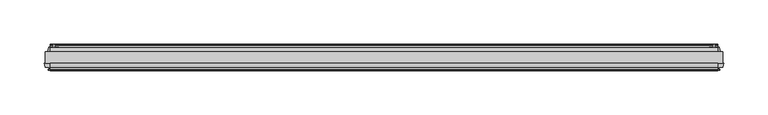
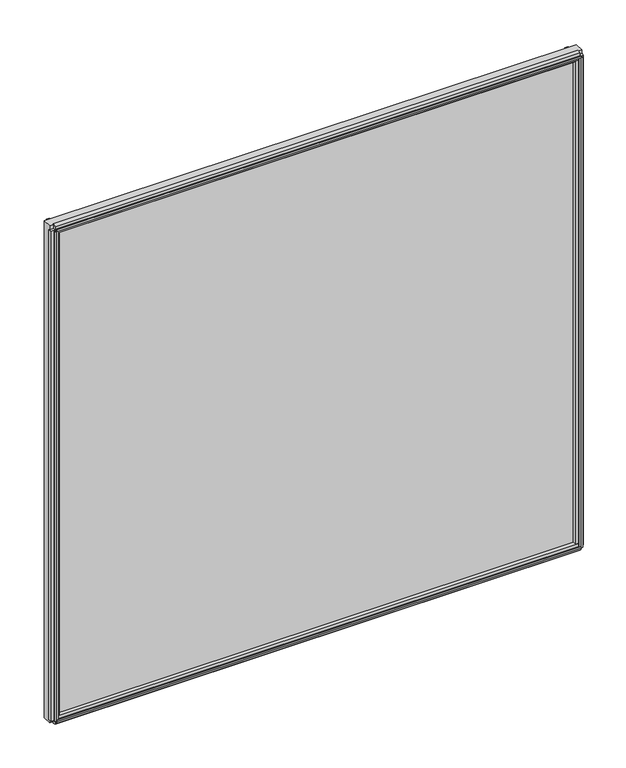
"""IFC4 building model written with IfcOpenShell, lengths in millimetres: plate geometry."""

from ifc_helpers import new_model, si_unit, point, frame, frame_2d, origin, origin_with_axes, place, context, project, spatial, polyline, circle_curve, trimmed, segment, composite_curve, outline, extrude, source, transform, mapped, element, save


def plate_c6e0bbd5(model_context):
    return source(origin(), model_context, "Body", "SweptSolid", [
        extrude(outline(polyline([(383.3264207, 33.1922438), (383.3264207, 20.3398438), (-383.3264207, 20.3398438), (-383.3264207, 33.1922438), (383.3264207, 33.1922438)])), origin_with_axes(), (0.0, 0.0, 1.0), 757.1782522),
        extrude(outline(composite_curve([segment(polyline([(41.2184338, 11.112559), (38.8308338, 11.1124979)]), True, "CONTINUOUS"), segment(trimmed(circle_curve(frame_2d((38.8308539, 10.3250979)), 0.7874), [point((38.8308338, 11.1124979))], [point((38.0434539, 10.3250778))], True, "CARTESIAN"), True, "CONTINUOUS"), segment(polyline([(38.0434539, 10.3250778), (38.0434741, 9.5376778), (39.6182741, 9.5377181), (38.0436437, 3.7841758), (38.0436437, 2.9042818)]), True, "CONTINUOUS"), segment(trimmed(circle_curve(frame_2d((35.6179428, 2.9426237)), 2.426004), [point((38.0436437, 2.9042818))], [point((33.1922437, 2.9041577))], False, "CARTESIAN"), True, "CONTINUOUS"), segment(polyline([(33.1922437, 2.9041577), (33.1922437, 16.9229653)]), True, "CONTINUOUS"), segment(trimmed(circle_curve(frame_2d((44.8744152, 24.6114215)), 13.9851882), [point((33.1922437, 16.9229653))], [point((41.2184338, 11.112559))], True, "CARTESIAN"), True, "CONTINUOUS")], self_intersect=False)), frame((-377.7701707, 0.0, 0.0), z_axis=(1.0, 0.0, 0.0), x_axis=(0.0, 1.0, 0.0)), (0.0, 0.0, 1.0), 755.5403414),
        extrude(outline(polyline([(12.8440214, 3.946253), (13.0917819, 2.4003), (12.2794387, 2.4003), (11.8816437, 4.7371), (12.2966596, 7.0739), (13.1099269, 7.0739), (12.8496537, 5.5210429), (15.5691624, 5.9939196), (15.5691624, 10.3197912), (20.3398437, 11.5326763), (20.3398437, -2.0076763), (15.560078, -0.7924816), (15.560078, 3.4539358), (12.8440214, 3.946253)])), frame((-377.7701707, 0.0, 0.0), z_axis=(1.0, 0.0, 0.0), x_axis=(0.0, 1.0, 0.0)), (0.0, 0.0, 1.0), 755.5403414),
        extrude(outline(polyline([(376.9729737, 12.9456214), (376.4806565, 15.661678), (372.2023815, 15.661678), (371.0130173, 20.3398438), (384.5146241, 20.3398438), (383.3275695, 15.6707624), (379.0206403, 15.6707624), (378.5477636, 12.9512537), (380.1006207, 13.2115269), (380.1006207, 12.3982596), (377.7638207, 11.9832438), (375.4270207, 12.3810387), (375.4270207, 13.1933819), (376.9729737, 12.9456214)])), frame((0.0, 0.0, 5.55625), z_axis=(0.0, 0.0, 1.0), x_axis=(1.0, 0.0, 0.0)), (0.0, 0.0, 1.0), 746.0657522),
        extrude(outline(polyline([(374.3313636, 40.8602338), (374.8069098, 38.1253726), (379.1150727, 38.1253726), (380.369258, 33.1922438), (366.7255834, 33.1922438), (367.9859695, 38.1497624), (372.264248, 38.1497624), (372.7565737, 40.8658661), (371.2091821, 40.6174092), (371.2091821, 41.430204), (373.5474207, 41.8282438), (375.8827522, 41.4134887), (375.8798453, 40.6006939), (374.3313636, 40.8602338)])), frame((0.0, 0.0, 5.55625), z_axis=(0.0, 0.0, 1.0), x_axis=(1.0, 0.0, 0.0)), (0.0, 0.0, 1.0), 746.0657522),
        extrude(outline(polyline([(-378.5477636, 12.9512537), (-379.0233098, 15.6861149), (-383.3314727, 15.6861149), (-384.5120007, 20.329525), (-371.0156407, 20.329525), (-372.2023695, 15.6617251), (-376.480648, 15.6617251), (-376.9729737, 12.9456214), (-375.4255821, 13.1940783), (-375.4255821, 12.3812835), (-377.7638207, 11.9832438), (-380.0991522, 12.3979988), (-380.0962453, 13.2107936), (-378.5477636, 12.9512537)])), frame((0.0, 0.0, 5.55625), z_axis=(0.0, 0.0, 1.0), x_axis=(1.0, 0.0, 0.0)), (0.0, 0.0, 1.0), 746.0657522),
        extrude(outline(polyline([(-372.7634778, 40.8602338), (-372.2879316, 38.1253726), (-367.9797687, 38.1253726), (-366.7255834, 33.1922438), (-380.369258, 33.1922438), (-379.1088719, 38.1497624), (-374.8305934, 38.1497624), (-374.3382677, 40.8658661), (-375.8856592, 40.6174092), (-375.8856592, 41.430204), (-373.5474207, 41.8282438), (-371.2120891, 41.4134887), (-371.2149961, 40.6006939), (-372.7634778, 40.8602338)])), frame((0.0, 0.0, 5.55625), z_axis=(0.0, 0.0, 1.0), x_axis=(1.0, 0.0, 0.0)), (0.0, 0.0, 1.0), 746.0657522),
        extrude(outline(polyline([(40.7642661, 746.6084052), (38.0482095, 746.116088), (38.0482095, 741.837813), (33.1922437, 740.6032454), (33.1922437, 754.195259), (38.0391251, 752.963001), (38.0391251, 748.6560718), (40.7586338, 748.1831951), (40.4983606, 749.7360522), (41.3116279, 749.7360522), (41.7266437, 747.3992522), (41.3288488, 745.0624522), (40.5165056, 745.0624522), (40.7642661, 746.6084052)])), frame((-377.7701707, 0.0, 0.0), z_axis=(1.0, 0.0, 0.0), x_axis=(0.0, 1.0, 0.0)), (0.0, 0.0, 1.0), 755.5403414),
        extrude(outline(polyline([(12.8246547, 752.4011474), (15.5595159, 752.8766936), (15.5595159, 757.1769485), (20.3398438, 758.3922861), (20.3398438, 744.8390183), (15.5351261, 746.0605567), (15.5351261, 750.3340318), (12.8190224, 750.8263575), (13.0674793, 749.278966), (12.2546845, 749.278966), (11.8566447, 751.6172045), (12.2713997, 753.9525361), (13.0841945, 753.9496291), (12.8246547, 752.4011474)])), frame((-377.7701707, 0.0, 0.0), z_axis=(1.0, 0.0, 0.0), x_axis=(0.0, 1.0, 0.0)), (0.0, 0.0, 1.0), 755.5403414),
    ])


if __name__ == "__main__":
    model = new_model("IFC4")
    model_context = context("Model", 3, world=origin())
    ifc_project = project(units=[si_unit("LENGTHUNIT", "METRE", prefix="MILLI")], contexts=[model_context])
    site = spatial("IfcSite", under=ifc_project)
    building = spatial("IfcBuilding", under=site)
    placement = place(None, origin())
    plate_shape = plate_c6e0bbd5(model_context)
    element("IfcPlate", 1, at=placement, inside=building, context=model_context, shape_type="MappedRepresentation", body=[
        mapped(plate_shape, transform((0.0, 0.0, 0.0), x_axis=(1.0, 0.0, 0.0), y_axis=(0.0, 1.0, 0.0), z_axis=(0.0, 0.0, 1.0))),
    ])
    save(model, "model.ifc")
